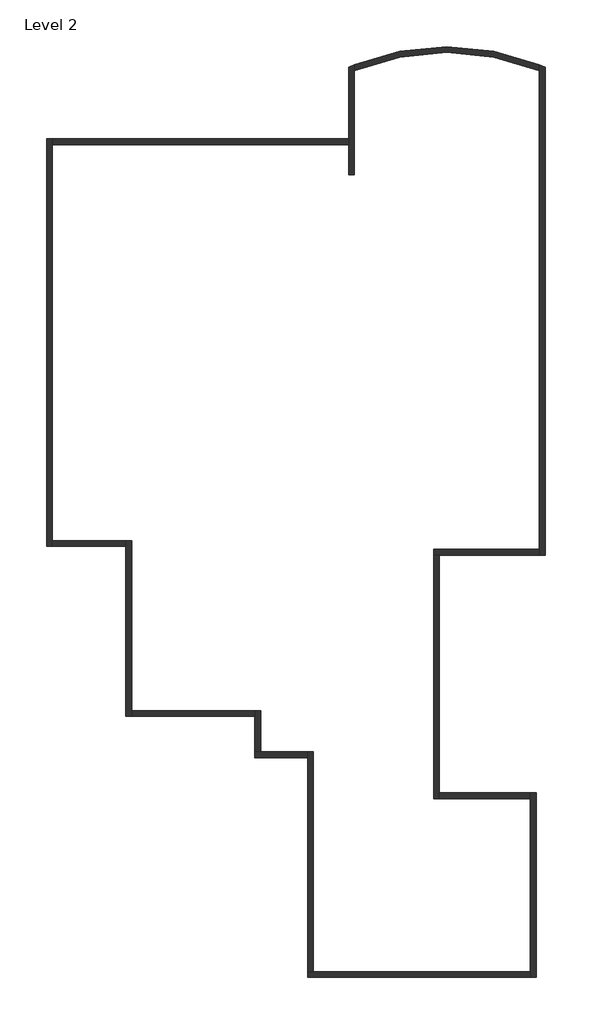
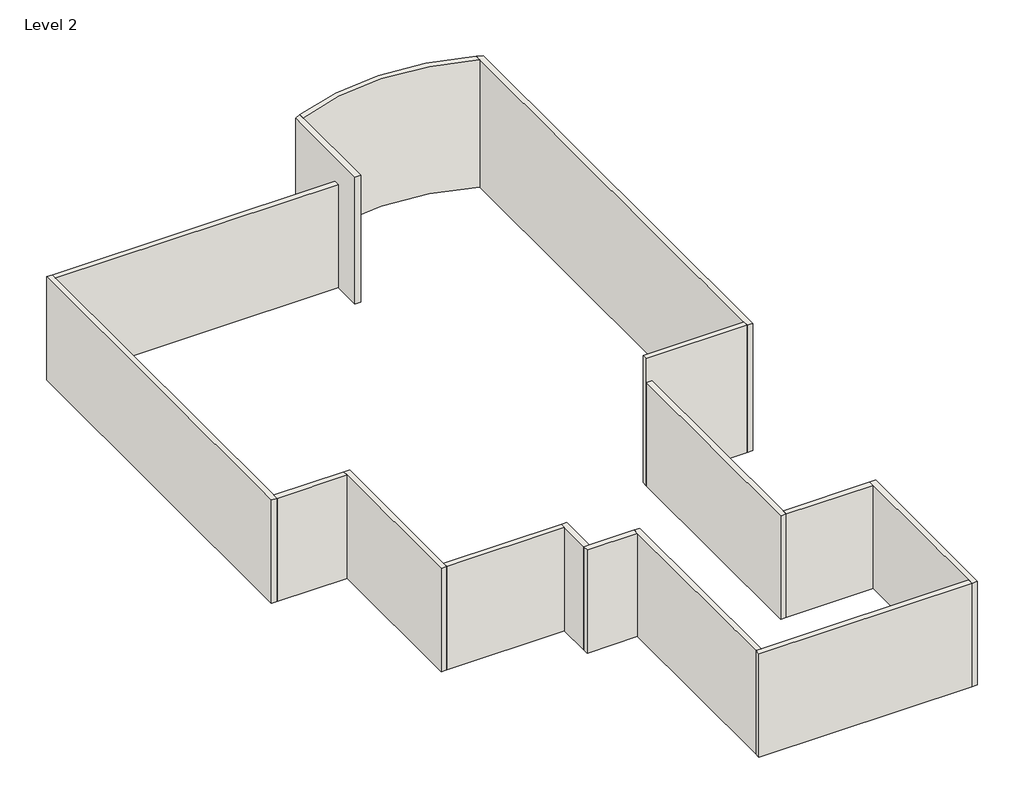
# One storey: 16 walls.
"""IFC4 building model written with IfcOpenShell, lengths in millimetres."""

from ifc_helpers import new_model, si_unit, point, frame, frame_2d, origin, place, context, project, spatial, polyline, circle_curve, trimmed, segment, composite_curve, outline, extrude, faceted_brep, element, save
from ifc_brep_helpers import plane_surface, cylinder_surface, advanced_brep

model = new_model("IFC4")

# Units and contexts
model_context = context("Model", 3, world=origin())
ifc_project = project(units=[si_unit("LENGTHUNIT", "METRE", prefix="MILLI")], contexts=[model_context])

# Site, building, storey
site = spatial("IfcSite", under=ifc_project)
building = spatial("IfcBuilding", under=site)
storey = spatial("IfcBuildingStorey", under=building, Name="Level 2", Elevation=4876.8)

# Walls
placement = place(None, origin())
element("IfcWall", 1, ObjectType="Generic - 8\"", at=placement, inside=storey, context=model_context, shape_type="Brep", body=[
    faceted_brep([(-2769.4139332, 2150.7299014, 4876.8), (-2769.4139332, 1947.5299014, 4876.8), (-2769.4139332, -4046.8700986, 4876.8), (-2769.4139332, -4250.0700986, 4876.8), (-2769.4139332, -4250.0700986, 8839.2), (-2769.4139332, -4046.8700986, 8839.2), (-2769.4139332, 1947.5299014, 8839.2), (-2769.4139332, 2150.7299014, 8839.2), (-2566.2139332, 2150.7299014, 4876.8), (-2566.2139332, 2150.7299014, 8839.2), (-2566.2139332, -4250.0700986, 8839.2), (-2566.2139332, -4250.0700986, 4876.8)], [[[0, 1, 2, 3, 4, 5, 6, 7]], [[8, 9, 10, 11]], [[3, 2, 1, 0, 8, 11]], [[7, 6, 5, 4, 10, 9]], [[0, 7, 9, 8]], [[4, 3, 11, 10]]]),
])
element("IfcWall", 2, ObjectType="Generic - 8\"", at=placement, inside=storey, context=model_context, shape_type="Brep", body=[
    faceted_brep([(-16587.0139332, 4792.3299014, 4876.8), (-16587.0139332, 4995.5299014, 4876.8), (-16587.0139332, 10888.3299014, 4876.8), (-16587.0139332, 10888.3299014, 8839.2), (-16587.0139332, 4995.5299014, 8839.2), (-16587.0139332, 4792.3299014, 8839.2), (-16790.2139332, 4792.3299014, 4876.8), (-16790.2139332, 4792.3299014, 8839.2), (-16790.2139332, 10685.1299014, 8839.2), (-16790.2139332, 10888.3299014, 8839.2), (-16790.2139332, 10888.3299014, 4876.8), (-16790.2139332, 10685.1299014, 4876.8)], [[[0, 1, 2, 3, 4, 5]], [[6, 7, 8, 9, 10, 11]], [[2, 1, 0, 6, 11, 10]], [[5, 4, 3, 9, 8, 7]], [[0, 5, 7, 6]], [[3, 2, 10, 9]]]),
])
element("IfcWall", 3, ObjectType="Generic - 8\"", at=placement, inside=storey, context=model_context, shape_type="SweptSolid", body=[
    extrude(outline(polyline([(-19330.2139332, 10888.3299014), (-16790.2139332, 10888.3299014), (-16790.2139332, 10685.1299014), (-19330.2139332, 10685.1299014), (-19330.2139332, 10888.3299014)])), frame((0.0, 0.0, 4876.8), z_axis=(0.0, 0.0, 1.0), x_axis=(1.0, 0.0, 0.0)), (0.0, 0.0, 1.0), 3962.4),
])
element("IfcWall", 4, ObjectType="Generic - 8\"", at=placement, inside=storey, context=model_context, shape_type="Brep", body=[
    faceted_brep([(-19330.2139332, 10685.1299014, 4876.8), (-19330.2139332, 10888.3299014, 4876.8), (-19330.2139332, 24604.3299014, 4876.8), (-19330.2139332, 24807.5299014, 4876.8), (-19330.2139332, 24807.5299014, 8839.2), (-19330.2139332, 24604.3299014, 8839.2), (-19330.2139332, 10888.3299014, 8839.2), (-19330.2139332, 10685.1299014, 8839.2), (-19533.4139332, 10685.1299014, 4876.8), (-19533.4139332, 10685.1299014, 8839.2), (-19533.4139332, 24807.5299014, 8839.2), (-19533.4139332, 24807.5299014, 4876.8)], [[[0, 1, 2, 3, 4, 5, 6, 7]], [[8, 9, 10, 11]], [[3, 2, 1, 0, 8, 11]], [[7, 6, 5, 4, 10, 9]], [[4, 3, 11, 10]], [[0, 7, 9, 8]]]),
])
element("IfcWall", 5, ObjectType="Generic - 8\"", at=placement, inside=storey, context=model_context, shape_type="SweptSolid", body=[
    extrude(outline(polyline([(-9068.6139332, 24604.3299014), (-19330.2139332, 24604.3299014), (-19330.2139332, 24807.5299014), (-9068.6139332, 24807.5299014), (-9068.6139332, 24604.3299014)])), frame((0.0, 0.0, 4876.8), z_axis=(0.0, 0.0, 1.0), x_axis=(1.0, 0.0, 0.0)), (0.0, 0.0, 1.0), 3962.4),
])
element("IfcWall", 6, ObjectType="Generic - 8\"", at=placement, inside=storey, context=model_context, shape_type="AdvancedBrep", body=[
    advanced_brep(
    [(-8865.4139332, 23572.3647327, 4876.8), (-8865.4139332, 27162.6172464, 4876.8), (-8865.4139332, 27382.4045175, 4876.8), (-8865.4139332, 27382.4045175, 9753.6), (-8865.4139332, 27162.6172464, 9753.6), (-8865.4139332, 23572.3647327, 9753.6), (-9068.6139332, 23572.3647327, 4876.8), (-9068.6139332, 23572.3647327, 9753.6), (-9068.6139332, 27296.7299014, 9753.6), (-9068.6139332, 27296.7299014, 4876.8), (-9068.6139332, 24807.5299014, 4876.8), (-9068.6139332, 24604.3299014, 4876.8)],
    [
        (0, 1),
        (1, 2),
        (2, 3),
        (3, 4),
        (4, 5),
        (5, 0),
        (6, 7),
        (7, 8),
        (8, 9),
        (9, 10),
        (10, 11),
        (11, 6),
        (0, 6),
        (9, 2, circle_curve(frame((-5665.0139332, 19508.00133, 4876.8), z_axis=(0.0, 0.0, -1.0), x_axis=(1.0, 0.0, 0.0)), 8499.9285714)),
        (3, 8, circle_curve(frame((-5665.0139332, 19508.00133, 9753.6), z_axis=(0.0, 0.0, 1.0), x_axis=(1.0, 0.0, 0.0)), 8499.9285714)),
        (7, 5),
    ],
    [
        plane_surface(frame((-8865.4139332, 24807.5299014, 4876.8), z_axis=(1.0, 0.0, 0.0), x_axis=(0.0, 1.0, 0.0))),
        plane_surface(frame((-9068.6139332, 24807.5299014, 4876.8), z_axis=(-1.0, 0.0, 0.0), x_axis=(0.0, -1.0, 0.0))),
        plane_surface(frame((-8865.4139332, 23572.3647327, 4876.8), z_axis=(0.0, 0.0, -1.0), x_axis=(-1.0, 0.0, 0.0))),
        plane_surface(frame((-8865.4139332, 27229.9647327, 9753.6), z_axis=(0.0, 0.0, 1.0), x_axis=(-1.0, 0.0, 0.0))),
        plane_surface(frame((-8865.4139332, 23572.3647327, 9753.6), z_axis=(0.0, -1.0, 0.0), x_axis=(-1.0, 0.0, 0.0))),
        cylinder_surface(frame((-5665.0139332, 19508.00133, 4876.8), z_axis=(0.0, 0.0, 1.0), x_axis=(1.0, 0.0, 0.0)), 8499.9285714),
    ],
    [
        (0, [[1, 2, 3, 4, 5, 6]]),
        (1, [[7, 8, 9, 10, 11, 12]]),
        (2, [[-2, -1, 13, -12, -11, -10, 14]]),
        (3, [[-5, -4, 15, -8, 16]]),
        (4, [[-6, -16, -7, -13]]),
        (5, [[-3, -14, -9, -15]]),
    ],
),
])
element("IfcWall", 7, ObjectType="Generic - 8\"", at=placement, inside=storey, context=model_context, shape_type="AdvancedBrep", body=[
    advanced_brep(
    [(-2464.6139332, 27382.4045175, 4876.8), (-2464.6139332, 27162.6172464, 4876.8), (-2464.6139332, 10583.5299014, 4876.8), (-2464.6139332, 10380.3299014, 4876.8), (-2464.6139332, 10380.3299014, 9753.6), (-2464.6139332, 10583.5299014, 9753.6), (-2464.6139332, 27162.6172464, 9753.6), (-2464.6139332, 27382.4045175, 9753.6), (-2261.4139332, 27296.7299014, 4876.8), (-2261.4139332, 27296.7299014, 9753.6), (-2261.4139332, 10380.3299014, 9753.6), (-2261.4139332, 10380.3299014, 4876.8)],
    [
        (0, 1),
        (1, 2),
        (2, 3),
        (3, 4),
        (4, 5),
        (5, 6),
        (6, 7),
        (7, 0),
        (8, 9),
        (9, 10),
        (10, 11),
        (11, 8),
        (0, 8, circle_curve(frame((-5665.0139332, 19508.00133, 4876.8), z_axis=(0.0, 0.0, -1.0), x_axis=(1.0, 0.0, 0.0)), 8499.9285714)),
        (11, 3),
        (4, 10),
        (9, 7, circle_curve(frame((-5665.0139332, 19508.00133, 9753.6), z_axis=(0.0, 0.0, 1.0), x_axis=(1.0, 0.0, 0.0)), 8499.9285714)),
    ],
    [
        plane_surface(frame((-2464.6139332, 27296.7299014, 4876.8), z_axis=(-1.0, 0.0, 0.0), x_axis=(0.0, -1.0, 0.0))),
        plane_surface(frame((-2261.4139332, 27296.7299014, 4876.8), z_axis=(1.0, 0.0, 0.0), x_axis=(0.0, 1.0, 0.0))),
        plane_surface(frame((-2464.6139332, 27229.9647327, 4876.8), z_axis=(0.0, 0.0, -1.0), x_axis=(1.0, 0.0, 0.0))),
        plane_surface(frame((-2464.6139332, 10481.9299014, 9753.6), z_axis=(0.0, 0.0, 1.0), x_axis=(1.0, 0.0, 0.0))),
        plane_surface(frame((-2261.4139332, 10380.3299014, 4876.8), z_axis=(0.0, -1.0, 0.0), x_axis=(1.0, 0.0, 0.0))),
        cylinder_surface(frame((-5665.0139332, 19508.00133, 4876.8), z_axis=(0.0, 0.0, 1.0), x_axis=(1.0, 0.0, 0.0)), 8499.9285714),
    ],
    [
        (0, [[1, 2, 3, 4, 5, 6, 7, 8]]),
        (1, [[9, 10, 11, 12]]),
        (2, [[-3, -2, -1, 13, -12, 14]]),
        (3, [[-7, -6, -5, 15, -10, 16]]),
        (4, [[-4, -14, -11, -15]]),
        (5, [[-8, -16, -9, -13]]),
    ],
),
])
element("IfcWall", 8, ObjectType="Generic - 8\"", at=placement, inside=storey, context=model_context, shape_type="Brep", body=[
    faceted_brep([(-2464.6139332, 10583.5299014, 4876.8), (-6122.2139332, 10583.5299014, 4876.8), (-6122.2139332, 10583.5299014, 9753.6), (-2464.6139332, 10583.5299014, 9753.6), (-2464.6139332, 10380.3299014, 4876.8), (-2464.6139332, 10380.3299014, 9753.6), (-6122.2139332, 10380.3299014, 9753.6), (-6122.2139332, 10380.3299014, 8839.2), (-6122.2139332, 10380.3299014, 4876.8), (-5919.0139332, 10380.3299014, 4876.8)], [[[0, 1, 2, 3]], [[4, 5, 6, 7, 8, 9]], [[1, 0, 4, 9, 8]], [[3, 2, 6, 5]], [[0, 3, 5, 4]], [[2, 1, 8, 7, 6]]]),
])
element("IfcWall", 9, ObjectType="Generic - 8\"", at=placement, inside=storey, context=model_context, shape_type="Brep", body=[
    faceted_brep([(-6122.2139332, 10380.3299014, 4876.8), (-6122.2139332, 1947.5299014, 4876.8), (-6122.2139332, 1947.5299014, 8839.2), (-6122.2139332, 10380.3299014, 8839.2), (-5919.0139332, 10380.3299014, 4876.8), (-5919.0139332, 10380.3299014, 8839.2), (-5919.0139332, 2150.7299014, 8839.2), (-5919.0139332, 1947.5299014, 8839.2), (-5919.0139332, 1947.5299014, 4876.8), (-5919.0139332, 2150.7299014, 4876.8)], [[[0, 1, 2, 3]], [[4, 5, 6, 7, 8, 9]], [[1, 0, 4, 9, 8]], [[3, 2, 7, 6, 5]], [[0, 3, 5, 4]], [[2, 1, 8, 7]]]),
])
element("IfcWall", 10, ObjectType="Generic - 8\"", at=placement, inside=storey, context=model_context, shape_type="SweptSolid", body=[
    extrude(outline(polyline([(-2769.4139332, 1947.5299014), (-5919.0139332, 1947.5299014), (-5919.0139332, 2150.7299014), (-2769.4139332, 2150.7299014), (-2769.4139332, 1947.5299014)])), frame((0.0, 0.0, 4876.8), z_axis=(0.0, 0.0, 1.0), x_axis=(1.0, 0.0, 0.0)), (0.0, 0.0, 1.0), 3962.4),
])
element("IfcWall", 11, ObjectType="Generic - 8\"", at=placement, inside=storey, context=model_context, shape_type="SweptSolid", body=[
    extrude(outline(composite_curve([segment(polyline([(-2464.6139332, 27382.4045175), (-2464.6139332, 27162.6172464)]), True, "CONTINUOUS"), segment(trimmed(circle_curve(frame_2d((-5665.0139332, 19508.00133)), 8296.7285714), [point((-2464.6139332, 27162.6172464))], [point((-8865.4139332, 27162.6172464))], True, "CARTESIAN"), True, "CONTINUOUS"), segment(polyline([(-8865.4139332, 27162.6172464), (-8865.4139332, 27382.4045175)]), True, "CONTINUOUS"), segment(trimmed(circle_curve(frame_2d((-5665.0139332, 19508.00133)), 8499.9285714), [point((-8865.4139332, 27382.4045175))], [point((-2464.6139332, 27382.4045175))], False, "CARTESIAN"), True, "CONTINUOUS")], self_intersect=False)), frame((0.0, 0.0, 4876.8), z_axis=(0.0, 0.0, 1.0), x_axis=(1.0, 0.0, 0.0)), (0.0, 0.0, 1.0), 4876.8),
])
element("IfcWall", 12, ObjectType="Generic - 8\"", at=placement, inside=storey, context=model_context, shape_type="Brep", body=[
    faceted_brep([(-2769.4139332, -4046.8700986, 4876.8), (-10287.8139332, -4046.8700986, 4876.8), (-10491.0139332, -4046.8700986, 4876.8), (-10491.0139332, -4046.8700986, 8839.2), (-10287.8139332, -4046.8700986, 8839.2), (-2769.4139332, -4046.8700986, 8839.2), (-2769.4139332, -4250.0700986, 4876.8), (-2769.4139332, -4250.0700986, 8839.2), (-10491.0139332, -4250.0700986, 8839.2), (-10491.0139332, -4250.0700986, 4876.8)], [[[0, 1, 2, 3, 4, 5]], [[6, 7, 8, 9]], [[2, 1, 0, 6, 9]], [[5, 4, 3, 8, 7]], [[3, 2, 9, 8]], [[0, 5, 7, 6]]]),
])
element("IfcWall", 13, ObjectType="Generic - 8\"", at=placement, inside=storey, context=model_context, shape_type="Brep", body=[
    faceted_brep([(-10287.8139332, -4046.8700986, 4876.8), (-10287.8139332, 3573.1299014, 4876.8), (-10287.8139332, 3573.1299014, 8839.2), (-10287.8139332, -4046.8700986, 8839.2), (-10491.0139332, -4046.8700986, 4876.8), (-10491.0139332, -4046.8700986, 8839.2), (-10491.0139332, 3369.9299014, 8839.2), (-10491.0139332, 3573.1299014, 8839.2), (-10491.0139332, 3573.1299014, 4876.8), (-10491.0139332, 3369.9299014, 4876.8)], [[[0, 1, 2, 3]], [[4, 5, 6, 7, 8, 9]], [[1, 0, 4, 9, 8]], [[3, 2, 7, 6, 5]], [[0, 3, 5, 4]], [[2, 1, 8, 7]]]),
])
element("IfcWall", 14, ObjectType="Generic - 8\"", at=placement, inside=storey, context=model_context, shape_type="Brep", body=[
    faceted_brep([(-10491.0139332, 3573.1299014, 4876.8), (-12116.6139332, 3573.1299014, 4876.8), (-12319.8139332, 3573.1299014, 4876.8), (-12319.8139332, 3573.1299014, 8839.2), (-12116.6139332, 3573.1299014, 8839.2), (-10491.0139332, 3573.1299014, 8839.2), (-10491.0139332, 3369.9299014, 4876.8), (-10491.0139332, 3369.9299014, 8839.2), (-12319.8139332, 3369.9299014, 8839.2), (-12319.8139332, 3369.9299014, 4876.8)], [[[0, 1, 2, 3, 4, 5]], [[6, 7, 8, 9]], [[2, 1, 0, 6, 9]], [[5, 4, 3, 8, 7]], [[0, 5, 7, 6]], [[3, 2, 9, 8]]]),
])
element("IfcWall", 15, ObjectType="Generic - 8\"", at=placement, inside=storey, context=model_context, shape_type="Brep", body=[
    faceted_brep([(-12116.6139332, 3573.1299014, 4876.8), (-12116.6139332, 4995.5299014, 4876.8), (-12116.6139332, 4995.5299014, 8839.2), (-12116.6139332, 3573.1299014, 8839.2), (-12319.8139332, 3573.1299014, 4876.8), (-12319.8139332, 3573.1299014, 8839.2), (-12319.8139332, 4792.3299014, 8839.2), (-12319.8139332, 4995.5299014, 8839.2), (-12319.8139332, 4995.5299014, 4876.8), (-12319.8139332, 4792.3299014, 4876.8)], [[[0, 1, 2, 3]], [[4, 5, 6, 7, 8, 9]], [[1, 0, 4, 9, 8]], [[3, 2, 7, 6, 5]], [[0, 3, 5, 4]], [[2, 1, 8, 7]]]),
])
element("IfcWall", 16, ObjectType="Generic - 8\"", at=placement, inside=storey, context=model_context, shape_type="SweptSolid", body=[
    extrude(outline(polyline([(-16587.0139332, 4995.5299014), (-12319.8139332, 4995.5299014), (-12319.8139332, 4792.3299014), (-16587.0139332, 4792.3299014), (-16587.0139332, 4995.5299014)])), frame((0.0, 0.0, 4876.8), z_axis=(0.0, 0.0, 1.0), x_axis=(1.0, 0.0, 0.0)), (0.0, 0.0, 1.0), 3962.4),
])

save(model, "model.ifc")
